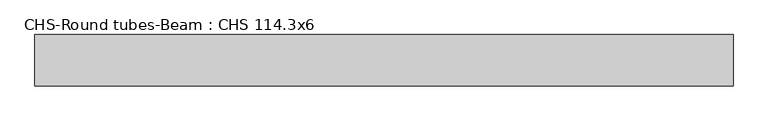
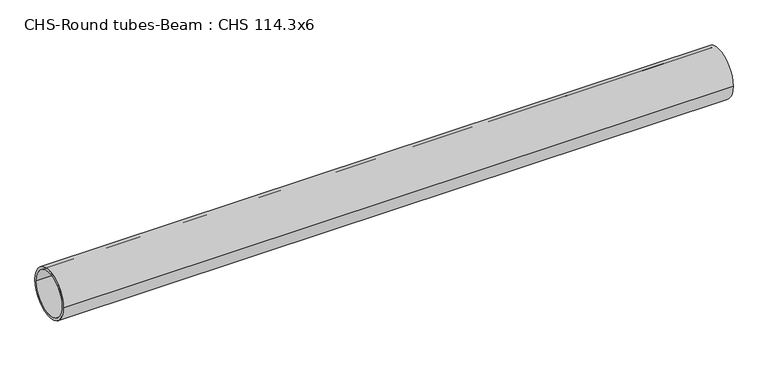
"""IFC4 building model written with IfcOpenShell, lengths in millimetres: beam geometry, CHS-Round tubes-Beam : CHS 114.3x6."""

from ifc_helpers import new_model, si_unit, point, frame, origin, origin_2d, place, context, project, spatial, circle_curve, trimmed, segment, composite_curve, outline, extrude, source, transform, mapped, element, save


def chs_round_tubes_beam_chs_114_3x6_facfdcb2(model_context):
    return source(origin(), model_context, "Body", "SweptSolid", [
        extrude(outline(composite_curve([segment(trimmed(circle_curve(origin_2d(), 57.15), [point((57.15, 0.0))], [point((-57.15, 0.0))], False, "CARTESIAN"), True, "CONTINUOUS"), segment(trimmed(circle_curve(origin_2d(), 57.15), [point((-57.15, 0.0))], [point((57.15, 0.0))], False, "CARTESIAN"), True, "CONTINUOUS")], self_intersect=False), holes=[composite_curve([segment(trimmed(circle_curve(origin_2d(), 51.15), [point((51.15, 0.0))], [point((-51.15, 0.0))], True, "CARTESIAN"), True, "CONTINUOUS"), segment(trimmed(circle_curve(origin_2d(), 51.15), [point((-51.15, 0.0))], [point((51.15, 0.0))], True, "CARTESIAN"), True, "CONTINUOUS")], self_intersect=False)]), frame((-789.9006698, 0.0, 0.0), z_axis=(1.0, 0.0, 0.0), x_axis=(0.0, 1.0, 0.0)), (0.0, 0.0, 1.0), 1555.0717903),
    ])


if __name__ == "__main__":
    model = new_model("IFC4")
    model_context = context("Model", 3, world=origin())
    ifc_project = project(units=[si_unit("LENGTHUNIT", "METRE", prefix="MILLI")], contexts=[model_context])
    site = spatial("IfcSite", under=ifc_project)
    building = spatial("IfcBuilding", under=site)
    placement = place(None, origin())
    chs_round_tubes_beam_chs_114_3x6_shape = chs_round_tubes_beam_chs_114_3x6_facfdcb2(model_context)
    element("IfcBeam", 1, ObjectType="CHS-Round tubes-Beam : CHS 114.3x6", at=placement, inside=building, context=model_context, shape_type="MappedRepresentation", body=[
        mapped(chs_round_tubes_beam_chs_114_3x6_shape, transform((0.0, 0.0, 0.0), x_axis=(1.0, 0.0, 0.0), y_axis=(0.0, 1.0, 0.0), z_axis=(0.0, 0.0, 1.0))),
    ])
    save(model, "model.ifc")
